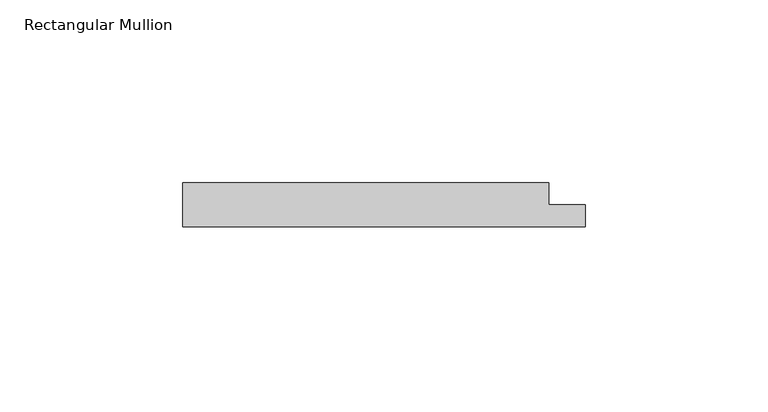
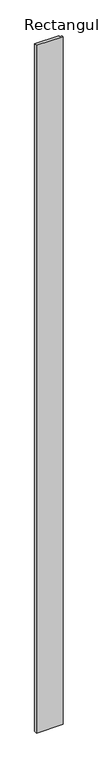
"""IFC4 building model written with IfcOpenShell, lengths in millimetres: member geometry, Rectangular Mullion."""

from ifc_helpers import new_model, si_unit, frame, origin, place, context, project, spatial, polyline, outline, extrude, source, transform, mapped, element, save


def rectangular_mullion_2bb9e668(model_context):
    return source(origin(), model_context, "Body", "SweptSolid", [
        extrude(outline(polyline([(55.0, 0.0), (-55.0, 0.0), (-55.0, 12.0), (45.0, 12.0), (45.0, 6.0), (55.0, 6.0), (55.0, 0.0)])), frame((0.0, 0.0, -3000.0), z_axis=(0.0, 0.0, 1.0), x_axis=(1.0, 0.0, 0.0)), (0.0, 0.0, 1.0), 3000.0),
    ])


if __name__ == "__main__":
    model = new_model("IFC4")
    model_context = context("Model", 3, world=origin())
    ifc_project = project(units=[si_unit("LENGTHUNIT", "METRE", prefix="MILLI")], contexts=[model_context])
    site = spatial("IfcSite", under=ifc_project)
    building = spatial("IfcBuilding", under=site)
    placement = place(None, origin())
    rectangular_mullion_shape = rectangular_mullion_2bb9e668(model_context)
    element("IfcMember", 1, ObjectType="Rectangular Mullion", at=placement, inside=building, context=model_context, shape_type="MappedRepresentation", body=[
        mapped(rectangular_mullion_shape, transform((0.0, 0.0, 0.0), x_axis=(1.0, 0.0, 0.0), y_axis=(0.0, 1.0, 0.0), z_axis=(0.0, 0.0, 1.0))),
    ])
    save(model, "model.ifc")
